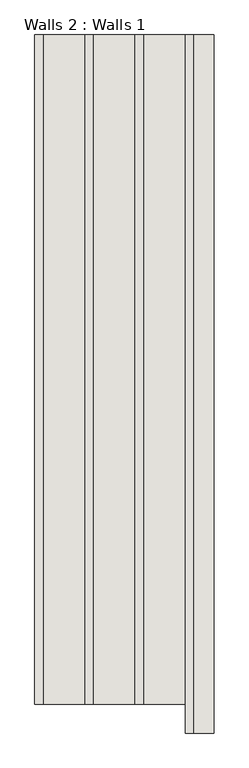
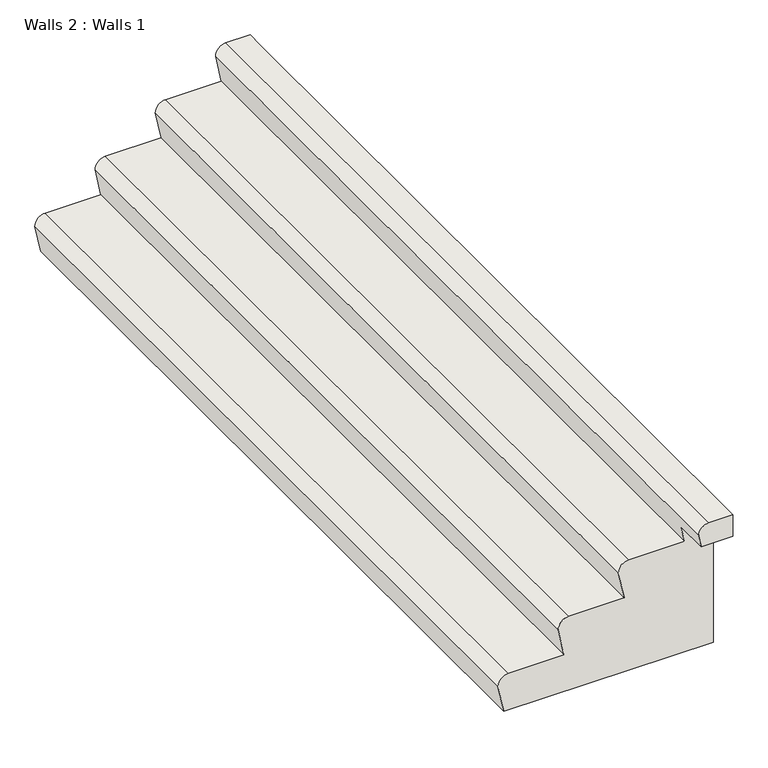
"""IFC4 building model written with IfcOpenShell, lengths in millimetres: wall geometry, Walls 2 : Walls 1."""

from ifc_helpers import new_model, si_unit, frame, origin, place, context, project, spatial, circle_curve, source, transform, mapped, element, save
from ifc_brep_helpers import plane_surface, cylinder_surface, advanced_brep


def walls_2_walls_1_f723a2aa(model_context):
    return source(origin(), model_context, "Body", "AdvancedBrep", [
        advanced_brep(
        [(79833.8116061, -31959.1648945, 67949.0), (79728.8116061, -31959.1648945, 67949.0), (79683.8116061, -31959.1648945, 67904.0), (79694.8508568, -31959.1648945, 67849.0), (79833.8116061, -31959.1648945, 67849.0), (79833.8116061, -28312.4201403, 67270.7777778), (78920.9257839, -28312.4201403, 67270.7777778), (78895.9257839, -28312.4201403, 67395.3333333), (78940.9257839, -28312.4201403, 67440.3333333), (79183.5543913, -28312.4201403, 67440.3333333), (79158.5543913, -28312.4201403, 67564.8888889), (79203.5543913, -28312.4201403, 67609.8888889), (79446.1829987, -28312.4201403, 67609.8888889), (79421.1829987, -28312.4201403, 67734.4444444), (79466.1829987, -28312.4201403, 67779.4444444), (79708.8116061, -28312.4201403, 67779.4444444), (79683.8116061, -28312.4201403, 67904.0), (79728.8116061, -28312.4201403, 67949.0), (79833.8116061, -28312.4201403, 67949.0), (79833.8116061, -31809.1648945, 67270.7777778), (78920.9257839, -31809.1648945, 67270.7777778), (79833.8116061, -28387.4201403, 67949.0), (79833.8116061, -31809.1648945, 67849.0), (79708.8116061, -31809.1648945, 67779.4444444), (79694.8508568, -31809.1648945, 67849.0), (79466.1829987, -31809.1648945, 67779.4444444), (79421.1829987, -31809.1648945, 67734.4444444), (79446.1829987, -31809.1648945, 67609.8888889), (79203.5543913, -31809.1648945, 67609.8888889), (79158.5543913, -31809.1648945, 67564.8888889), (79183.5543913, -31809.1648945, 67440.3333333), (78940.9257839, -31809.1648945, 67440.3333333), (78895.9257839, -31809.1648945, 67395.3333333)],
        [
            (0, 1),
            (1, 2, circle_curve(frame((79728.8116061, -31959.1648945, 67904.0), z_axis=(0.0, -1.0, 0.0), x_axis=(-1.0, 0.0, 0.0)), 45.0)),
            (2, 3),
            (3, 4),
            (4, 0),
            (5, 6),
            (6, 7),
            (7, 8, circle_curve(frame((78940.9257839, -28312.4201403, 67395.3333333), z_axis=(0.0, 1.0, 0.0), x_axis=(-1.0, 0.0, 0.0)), 45.0)),
            (8, 9),
            (9, 10),
            (10, 11, circle_curve(frame((79203.5543913, -28312.4201403, 67564.8888889), z_axis=(0.0, 1.0, 0.0), x_axis=(-1.0, 0.0, 0.0)), 45.0)),
            (11, 12),
            (12, 13),
            (13, 14, circle_curve(frame((79466.1829987, -28312.4201403, 67734.4444444), z_axis=(0.0, 1.0, 0.0), x_axis=(-1.0, 0.0, 0.0)), 45.0)),
            (14, 15),
            (15, 16),
            (16, 17, circle_curve(frame((79728.8116061, -28312.4201403, 67904.0), z_axis=(0.0, 1.0, 0.0), x_axis=(-1.0, 0.0, 0.0)), 45.0)),
            (17, 18),
            (18, 5),
            (5, 19),
            (19, 20),
            (20, 6),
            (18, 21),
            (21, 0),
            (4, 22),
            (22, 19),
            (17, 1),
            (16, 2),
            (15, 23),
            (23, 24),
            (24, 3),
            (14, 25),
            (25, 23),
            (13, 26),
            (26, 25, circle_curve(frame((79466.1829987, -31809.1648945, 67734.4444444), z_axis=(0.0, 1.0, 0.0), x_axis=(-1.0, 0.0, 0.0)), 45.0)),
            (12, 27),
            (27, 26),
            (11, 28),
            (28, 27),
            (10, 29),
            (29, 28, circle_curve(frame((79203.5543913, -31809.1648945, 67564.8888889), z_axis=(0.0, 1.0, 0.0), x_axis=(-1.0, 0.0, 0.0)), 45.0)),
            (9, 30),
            (30, 29),
            (8, 31),
            (31, 30),
            (7, 32),
            (32, 31, circle_curve(frame((78940.9257839, -31809.1648945, 67395.3333333), z_axis=(0.0, 1.0, 0.0), x_axis=(-1.0, 0.0, 0.0)), 45.0)),
            (20, 32),
            (22, 24),
        ],
        [
            plane_surface(frame((79833.8116061, -31959.1648945, 66693.0555556), z_axis=(0.0, -1.0, 0.0), x_axis=(0.0, 0.0, 1.0))),
            plane_surface(frame((79833.8116061, -28312.4201403, 66693.0555556), z_axis=(0.0, 1.0, 0.0), x_axis=(0.0, 0.0, -1.0))),
            plane_surface(frame((78920.9257839, -31959.1648945, 67270.7777778), z_axis=(0.0, 0.0, -1.0), x_axis=(0.0, 1.0, 0.0))),
            plane_surface(frame((79833.8116061, -31959.1648945, 67270.7777778), z_axis=(1.0, 0.0, 0.0), x_axis=(0.0, 1.0, 0.0))),
            plane_surface(frame((79833.8116061, -31959.1648945, 67949.0), z_axis=(0.0, 0.0, 1.0), x_axis=(0.0, 1.0, 0.0))),
            cylinder_surface(frame((79728.8116061, -28312.4201403, 67904.0), z_axis=(0.0, -1.0, 0.0), x_axis=(-1.0, 0.0, 0.0)), 45.0),
            plane_surface(frame((79683.8116061, -31959.1648945, 67904.0), z_axis=(-0.9804458883974769, 0.0, -0.1967888714447094), x_axis=(0.0, 1.0, 0.0))),
            plane_surface(frame((79708.8116061, -31959.1648945, 67779.4444444), z_axis=(0.0, 0.0, 1.0), x_axis=(0.0, 1.0, 0.0))),
            cylinder_surface(frame((79466.1829987, -28312.4201403, 67734.4444444), z_axis=(0.0, -1.0, 0.0), x_axis=(-1.0, 0.0, 0.0)), 45.0),
            plane_surface(frame((79421.1829987, -31959.1648945, 67734.4444444), z_axis=(-0.9804458883974796, 0.0, -0.19678887144469626), x_axis=(0.0, 1.0, 0.0))),
            plane_surface(frame((79446.1829987, -31959.1648945, 67609.8888889), z_axis=(0.0, 0.0, 1.0), x_axis=(0.0, 1.0, 0.0))),
            cylinder_surface(frame((79203.5543913, -28312.4201403, 67564.8888889), z_axis=(0.0, -1.0, 0.0), x_axis=(-1.0, 0.0, 0.0)), 45.0),
            plane_surface(frame((79158.5543913, -31959.1648945, 67564.8888889), z_axis=(-0.9804458883974796, 0.0, -0.19678887144469626), x_axis=(0.0, 1.0, 0.0))),
            plane_surface(frame((79183.5543913, -31959.1648945, 67440.3333333), z_axis=(0.0, 0.0, 1.0), x_axis=(0.0, 1.0, 0.0))),
            cylinder_surface(frame((78940.9257839, -28312.4201403, 67395.3333333), z_axis=(0.0, -1.0, 0.0), x_axis=(-1.0, 0.0, 0.0)), 45.0),
            plane_surface(frame((78895.9257839, -31959.1648945, 67395.3333333), z_axis=(-0.9804458883974796, 0.0, -0.19678887144469626), x_axis=(0.0, 1.0, 0.0))),
            plane_surface(frame((79431.640456, -31809.1648945, 66575.0), z_axis=(0.0, -1.0, 0.0), x_axis=(-1.0, 0.0, 0.0))),
            plane_surface(frame((80388.3440262, -31959.1648945, 67849.0), z_axis=(0.0, 0.0, -1.0), x_axis=(0.0, 1.0, 0.0))),
        ],
        [
            (0, [[1, 2, 3, 4, 5]]),
            (1, [[6, 7, 8, 9, 10, 11, 12, 13, 14, 15, 16, 17, 18, 19]]),
            (2, [[-6, 20, 21, 22]]),
            (3, [[-19, 23, 24, -5, 25, 26, -20]]),
            (4, [[-1, -24, -23, -18, 27]]),
            (5, [[-2, -27, -17, 28]]),
            (6, [[-16, 29, 30, 31, -3, -28]]),
            (7, [[-15, 32, 33, -29]]),
            (8, [[-14, 34, 35, -32]]),
            (9, [[-13, 36, 37, -34]]),
            (10, [[-12, 38, 39, -36]]),
            (11, [[-11, 40, 41, -38]]),
            (12, [[-10, 42, 43, -40]]),
            (13, [[-9, 44, 45, -42]]),
            (14, [[-8, 46, 47, -44]]),
            (15, [[-7, -22, 48, -46]]),
            (16, [[49, -30, -33, -35, -37, -39, -41, -43, -45, -47, -48, -21, -26]]),
            (17, [[-49, -25, -4, -31]]),
        ],
    ),
    ])


if __name__ == "__main__":
    model = new_model("IFC4")
    model_context = context("Model", 3, world=origin())
    ifc_project = project(units=[si_unit("LENGTHUNIT", "METRE", prefix="MILLI")], contexts=[model_context])
    site = spatial("IfcSite", under=ifc_project)
    building = spatial("IfcBuilding", under=site)
    placement = place(None, origin())
    walls_2_walls_1_shape = walls_2_walls_1_f723a2aa(model_context)
    element("IfcWall", 1, ObjectType="Walls 2 : Walls 1", at=placement, inside=building, context=model_context, shape_type="MappedRepresentation", body=[
        mapped(walls_2_walls_1_shape, transform((0.0, 0.0, 0.0), x_axis=(1.0, 0.0, 0.0), y_axis=(0.0, 1.0, 0.0), z_axis=(0.0, 0.0, 1.0))),
    ])
    save(model, "model.ifc")
